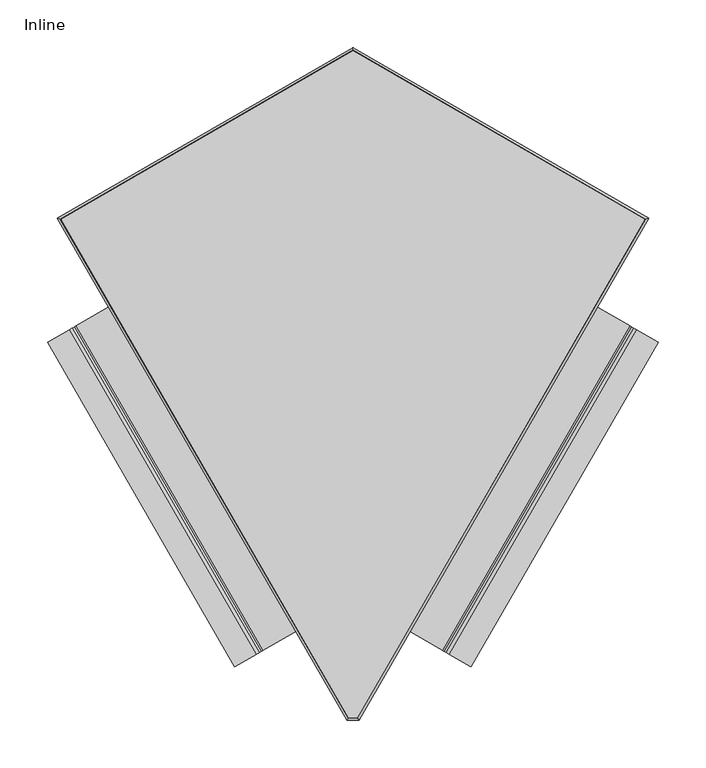
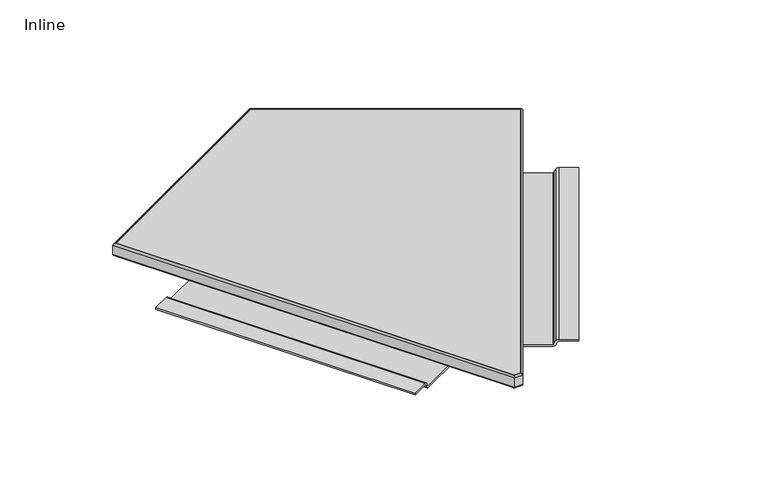
"""IFC4 building model written with IfcOpenShell, lengths in millimetres: furniture geometry, Inline."""

import ifcopenshell
import ifcopenshell.guid

model = None  # the IFC model being written
_history = None  # IfcOwnerHistory: only IFC2X3 demands one
_inside = {}  # id of a spatial element -> (the spatial element, [elements in it])
_under = {}  # id of a project, library or spatial element -> (it, [spatial elements below it])
_declared = {}  # id of a project -> (the project, [libraries it declares])
_typed = {}  # id of a type object -> (the type object, [elements of that type])
_made_of = {}  # id of a material, layer set ... -> (it, [elements and type objects made of it])


def new_model(schema):
    """Start an empty IFC model of exactly this schema.

    Asked for "IFC4X3", IfcOpenShell would pick the latest addendum, in which some entities
    have other attributes; the version numbers below select the first issue.
    IFC2X3 requires an IfcOwnerHistory on every rooted entity: one is made here for all.
    """
    global model, _history
    if schema == "IFC4X3":
        model = ifcopenshell.file(schema_version=(4, 3, 0, 0))
    else:
        model = ifcopenshell.file(schema=schema)
    _inside.clear()
    _under.clear()
    _declared.clear()
    _typed.clear()
    _made_of.clear()
    _history = None
    if model.schema == "IFC2X3":
        org = make("IfcOrganization", Name="unknown")
        user = make(
            "IfcPersonAndOrganization",
            ThePerson=make("IfcPerson", FamilyName="unknown"),
            TheOrganization=org,
        )
        app = make(
            "IfcApplication",
            ApplicationDeveloper=org,
            Version="unknown",
            ApplicationFullName="unknown",
            ApplicationIdentifier="unknown",
        )
        _history = make(
            "IfcOwnerHistory",
            OwningUser=user,
            OwningApplication=app,
            ChangeAction="ADDED",
            CreationDate=0,
        )
    return model


def make(cls, **values):
    """One entity of the class cls with the attributes given. An attribute that is None is left unset."""
    return model.create_entity(
        cls, **{name: value for name, value in values.items() if value is not None}
    )


def rooted(cls, **values):
    """An entity with a GlobalId (a new one), such as an element, a storey or a relation."""
    return make(cls, GlobalId=ifcopenshell.guid.new(), OwnerHistory=_history, **values)


def si_unit(unit_type, name, prefix=None):
    """IfcSIUnit, for example si_unit("LENGTHUNIT", "METRE", prefix="MILLI")."""
    return make("IfcSIUnit", UnitType=unit_type, Prefix=prefix, Name=name)


def assignment(units):
    """IfcUnitAssignment: the units of a project."""
    return None if units is None else make("IfcUnitAssignment", Units=units)


def point(xyz):
    """IfcCartesianPoint."""
    return None if xyz is None else make("IfcCartesianPoint", Coordinates=xyz)


def direction(xyz):
    """IfcDirection."""
    return None if xyz is None else make("IfcDirection", DirectionRatios=xyz)


def frame(location, z_axis=None, x_axis=None):
    """IfcAxis2Placement3D, a coordinate frame: its origin and axes. An axis left out is left unset."""
    return make(
        "IfcAxis2Placement3D",
        Location=point(location),
        Axis=direction(z_axis),
        RefDirection=direction(x_axis),
    )


def frame_2d(location, x_axis=None):
    """IfcAxis2Placement2D, a coordinate frame in the plane: its origin and x axis."""
    return make(
        "IfcAxis2Placement2D", Location=point(location), RefDirection=direction(x_axis)
    )


def origin():
    """The frame at (0, 0, 0) with its axes left unset."""
    return frame((0.0, 0.0, 0.0))


def place(relative_to, where):
    """IfcLocalPlacement: puts the frame where relative to a parent placement (None: the world)."""
    return make(
        "IfcLocalPlacement", PlacementRelTo=relative_to, RelativePlacement=where
    )


def context(
    kind, dimensions, precision=None, world=None, true_north=None, identifier=None
):
    """IfcGeometricRepresentationContext, for example the 3D "Model" context."""
    return make(
        "IfcGeometricRepresentationContext",
        ContextIdentifier=identifier,
        ContextType=kind,
        CoordinateSpaceDimension=dimensions,
        Precision=precision,
        WorldCoordinateSystem=world,
        TrueNorth=true_north,
    )


def project(units=None, contexts=None):
    """IfcProject with its units and contexts."""
    return rooted(
        "IfcProject",
        Name="project",
        RepresentationContexts=contexts,
        UnitsInContext=assignment(units),
    )


def spatial(cls, under=None, at=None, **own):
    """A site, building, storey or space (cls), placed at a placement, below another one or the project."""
    s = rooted(cls, ObjectPlacement=at, **own)
    if under is not None:
        _under.setdefault(under.id(), (under, []))[1].append(s)
    return s


def polyline(points):
    """IfcPolyline through the points."""
    return make("IfcPolyline", Points=[point(p) for p in points])


def circle_curve(where, radius):
    """IfcCircle in the frame where."""
    return make("IfcCircle", Position=where, Radius=radius)


def ellipse_curve(where, semi_axis1, semi_axis2):
    """IfcEllipse in the frame where."""
    return make(
        "IfcEllipse", Position=where, SemiAxis1=semi_axis1, SemiAxis2=semi_axis2
    )


def trimmed(basis, trim1, trim2, sense, master):
    """IfcTrimmedCurve: the piece of a basis curve between two trims."""
    return make(
        "IfcTrimmedCurve",
        BasisCurve=basis,
        Trim1=trim1,
        Trim2=trim2,
        SenseAgreement=sense,
        MasterRepresentation=master,
    )


def segment(curve, same_sense, transition):
    """IfcCompositeCurveSegment."""
    return make(
        "IfcCompositeCurveSegment",
        Transition=transition,
        SameSense=same_sense,
        ParentCurve=curve,
    )


def composite_curve(segments, self_intersect=None):
    """IfcCompositeCurve: segments joined end to end."""
    return make("IfcCompositeCurve", Segments=segments, SelfIntersect=self_intersect)


def outline(outer, holes=None, kind="AREA"):
    """IfcArbitraryClosedProfileDef: a profile drawn as a closed curve; with holes, ...WithVoids."""
    if holes is None:
        return make("IfcArbitraryClosedProfileDef", ProfileType=kind, OuterCurve=outer)
    return make(
        "IfcArbitraryProfileDefWithVoids",
        ProfileType=kind,
        OuterCurve=outer,
        InnerCurves=holes,
    )


def extrude(swept, where, along, depth):
    """IfcExtrudedAreaSolid: the profile swept, set in the frame where, extruded along a direction by depth."""
    return make(
        "IfcExtrudedAreaSolid",
        SweptArea=swept,
        Position=where,
        ExtrudedDirection=direction(along),
        Depth=depth,
    )


def shape(context_of_items, identifier, shape_type, items):
    """IfcShapeRepresentation: the items that make up one representation, for example the "Body"."""
    return make(
        "IfcShapeRepresentation",
        ContextOfItems=context_of_items,
        RepresentationIdentifier=identifier,
        RepresentationType=shape_type,
        Items=items,
    )


def source(mapping_origin, context_of_items, identifier, shape_type, items):
    """IfcRepresentationMap: a shape defined once, which mapped items show again and again."""
    return make(
        "IfcRepresentationMap",
        MappingOrigin=mapping_origin,
        MappedRepresentation=shape(context_of_items, identifier, shape_type, items),
    )


def transform(
    local_origin,
    x_axis=None,
    y_axis=None,
    z_axis=None,
    scale=None,
    scale2=None,
    scale3=None,
    uniform=True,
):
    """IfcCartesianTransformationOperator3D, or its non-uniform kind. x_axis, y_axis, z_axis: its Axis1, 2, 3."""
    if uniform:
        return make(
            "IfcCartesianTransformationOperator3D",
            Axis1=direction(x_axis),
            Axis2=direction(y_axis),
            LocalOrigin=point(local_origin),
            Scale=scale,
            Axis3=direction(z_axis),
        )
    return make(
        "IfcCartesianTransformationOperator3DnonUniform",
        Axis1=direction(x_axis),
        Axis2=direction(y_axis),
        LocalOrigin=point(local_origin),
        Scale=scale,
        Axis3=direction(z_axis),
        Scale2=scale2,
        Scale3=scale3,
    )


def mapped(mapping_source, mapping_target):
    """IfcMappedItem: shows the shape of a source again, moved by a transform."""
    return make(
        "IfcMappedItem", MappingSource=mapping_source, MappingTarget=mapping_target
    )


def made_of(thing, what):
    """Note that an element or type object is made of a material, layer set ...; save() writes the relation."""
    if what is not None:
        _made_of.setdefault(what.id(), (what, []))[1].append(thing)
    return thing


def element(
    cls,
    number,
    at=None,
    inside=None,
    cuts=None,
    type_object=None,
    material=None,
    context=None,
    identifier="Body",
    shape_type=None,
    held_by="IfcProductDefinitionShape",
    body=None,
    shapes=None,
    **own,
):
    """One element of the class cls, such as IfcWall. Its Tag is "e" and its number.

    at: its placement. inside: the storey or other place that contains it. cuts: it is an
    opening in that element (IfcRelVoidsElement). A single representation is given by context,
    identifier, shape_type and body (its items); several are given by shapes. held_by: the class
    of the entity that holds the representations. save() writes the other relations.
    """
    e = rooted(cls, Tag="e%d" % number, ObjectPlacement=at, **own)
    if body is not None:
        shapes = [shape(context, identifier, shape_type, body)]
    if shapes is not None:
        e.Representation = make(held_by, Representations=shapes)
    if inside is not None:
        _inside.setdefault(inside.id(), (inside, []))[1].append(e)
    if cuts is not None:
        rooted(
            "IfcRelVoidsElement", RelatingBuildingElement=cuts, RelatedOpeningElement=e
        )
    if type_object is not None:
        _typed.setdefault(type_object.id(), (type_object, []))[1].append(e)
    return made_of(e, material)


def aggregate(whole, parts):
    """IfcRelAggregates: a whole, such as a stair, and the parts it consists of."""
    return rooted("IfcRelAggregates", RelatingObject=whole, RelatedObjects=parts)


def save(model, path):
    """Write the relations noted so far, then the file.

    IfcRelAggregates (storeys below a building ...), IfcRelContainedInSpatialStructure (elements
    in a storey), IfcRelDefinesByType, IfcRelAssociatesMaterial and IfcRelDeclares: one each for
    every whole, place, type object, material and project.
    """
    for whole, parts in _under.values():
        aggregate(whole, parts)
    for where, things in _inside.values():
        rooted(
            "IfcRelContainedInSpatialStructure",
            RelatedElements=things,
            RelatingStructure=where,
        )
    for kind, things in _typed.values():
        rooted("IfcRelDefinesByType", RelatedObjects=things, RelatingType=kind)
    for what, things in _made_of.values():
        rooted("IfcRelAssociatesMaterial", RelatedObjects=things, RelatingMaterial=what)
    for by, libraries in _declared.values():
        rooted("IfcRelDeclares", RelatingContext=by, RelatedDefinitions=libraries)
    model.write(path)


def plane_surface(at):
    """IfcPlane: the flat surface through the origin of the frame at, square to its z axis."""
    return make("IfcPlane", Position=at)


def cylinder_surface(at, radius):
    """IfcCylindricalSurface: all points at the distance radius from the z axis of the frame at."""
    return make("IfcCylindricalSurface", Position=at, Radius=radius)


def advanced_brep(points, edges, surfaces, faces):
    """IfcAdvancedBrep: a solid bounded by faces that lie on surfaces and meet in shared edges.

    An edge is (start, end): straight between two places in points (the first is 0);
    or (start, end, curve); or (start, end, curve, False) where it runs against its curve.
    A face is (place in surfaces, loops), or (place, loops, False) where it looks against
    its surface's normal. A loop lists edges by number (the first is 1), with a minus sign
    where the edge is run from its end to its start. The first loop is the outer one.
    """
    corners = [point(p) for p in points]
    vertices = [make("IfcVertexPoint", VertexGeometry=c) for c in corners]
    made = []
    for start, end, *more in edges:
        made.append(
            make(
                "IfcEdgeCurve",
                EdgeStart=vertices[start],
                EdgeEnd=vertices[end],
                EdgeGeometry=more[0] if more else make("IfcPolyline", Points=[corners[start], corners[end]]),
                SameSense=more[1] if len(more) > 1 else True,
            )
        )
    hull = []
    for where, loops, *sense in faces:
        bounds = []
        for j, loop in enumerate(loops):
            ring = [make("IfcOrientedEdge", EdgeElement=made[abs(k) - 1], Orientation=k > 0) for k in loop]
            bounds.append(
                make(
                    "IfcFaceOuterBound" if j == 0 else "IfcFaceBound",
                    Bound=make("IfcEdgeLoop", EdgeList=ring),
                    Orientation=True,
                )
            )
        hull.append(make("IfcAdvancedFace", Bounds=bounds, FaceSurface=surfaces[where], SameSense=sense[0] if sense else True))
    return make("IfcAdvancedBrep", Outer=make("IfcClosedShell", CfsFaces=hull))


def inline_c3bc8b77(model_context):
    return source(origin(), model_context, "Body", "SolidModel", [
        extrude(outline(composite_curve([segment(polyline([(-2.6599381, 0.0), (0.0, 0.0), (0.0, -26.775942)]), True, "CONTINUOUS"), segment(trimmed(circle_curve(frame_2d((-4.017097, -26.775942)), 4.017097), [point((0.0, -26.775942))], [point((-2.3185886, -30.4162906))], False, "CARTESIAN"), True, "CONTINUOUS"), segment(polyline([(-2.3185886, -30.4162906), (-7.8560005, -32.9999278)]), True, "CONTINUOUS"), segment(trimmed(circle_curve(frame_2d((-7.0425751, -34.7433116)), 1.9238107), [point((-7.8560005, -32.9999278))], [point((-8.9663858, -34.7433116))], True, "CARTESIAN"), True, "CONTINUOUS"), segment(polyline([(-8.9663858, -34.7433116), (-8.9663858, -108.4293253)]), True, "CONTINUOUS"), segment(trimmed(circle_curve(frame_2d((-7.5705859, -108.4293253)), 1.3957999), [point((-8.9663858, -108.4293253))], [point((-8.1590547, -109.6950116))], True, "CARTESIAN"), True, "CONTINUOUS"), segment(polyline([(-8.1590547, -109.6950116), (-2.4183355, -112.3641041)]), True, "CONTINUOUS"), segment(trimmed(circle_curve(frame_2d((-4.1810756, -116.1554286)), 4.1810756), [point((-2.4183355, -112.3641041))], [point((0.0, -116.1554286))], False, "CARTESIAN"), True, "CONTINUOUS"), segment(polyline([(0.0, -116.1554286), (0.0, -142.8750309), (-2.6599381, -142.8750309), (-2.6599381, -116.0192316)]), True, "CONTINUOUS"), segment(trimmed(circle_curve(frame_2d((-3.9537981, -116.0192316)), 1.29386), [point((-2.6599381, -116.0192316))], [point((-3.4069213, -114.8466279))], True, "CARTESIAN"), True, "CONTINUOUS"), segment(polyline([(-3.4069213, -114.8466279), (-8.9847764, -112.2452379)]), True, "CONTINUOUS"), segment(trimmed(circle_curve(frame_2d((-7.0508794, -108.0986097)), 4.5754216), [point((-8.9847764, -112.2452379))], [point((-11.626301, -108.0986097))], False, "CARTESIAN"), True, "CONTINUOUS"), segment(polyline([(-11.626301, -108.0986097), (-11.626301, -34.8217804)]), True, "CONTINUOUS"), segment(trimmed(circle_curve(frame_2d((-6.9796264, -34.8217804)), 4.6466746), [point((-11.626301, -34.8217804))], [point((-8.9443326, -30.6109))], False, "CARTESIAN"), True, "CONTINUOUS"), segment(polyline([(-8.9443326, -30.6109), (-3.5189067, -28.0795129)]), True, "CONTINUOUS"), segment(trimmed(circle_curve(frame_2d((-4.1481539, -26.7308713)), 1.4882157), [point((-3.5189067, -28.0795129))], [point((-2.6599381, -26.7308713))], True, "CARTESIAN"), True, "CONTINUOUS"), segment(polyline([(-2.6599381, -26.7308713), (-2.6599381, 0.0)]), True, "CONTINUOUS")], self_intersect=False)), frame((124.4673724, -651.0987401, 298.0604162), z_axis=(0.4999999999999946, 0.8660254037844418, 0.0), x_axis=(0.0, 0.0, 1.0)), (0.0, 0.0, 1.0), 393.7222177),
        extrude(outline(composite_curve([segment(polyline([(0.0, 0.0), (26.7308713, 0.0)]), True, "CONTINUOUS"), segment(trimmed(circle_curve(frame_2d((26.7308713, 1.4882158)), 1.4882157), [point((26.7308713, 0.0))], [point((28.0795129, 0.8589686))], True, "CARTESIAN"), True, "CONTINUOUS"), segment(polyline([(28.0795129, 0.8589686), (30.6109, 6.2843945)]), True, "CONTINUOUS"), segment(trimmed(circle_curve(frame_2d((34.8217804, 4.3196883)), 4.6466746), [point((30.6109, 6.2843945))], [point((34.8217804, 8.9663629))], False, "CARTESIAN"), True, "CONTINUOUS"), segment(polyline([(34.8217804, 8.9663629), (108.0986097, 8.9663629)]), True, "CONTINUOUS"), segment(trimmed(circle_curve(frame_2d((108.0986097, 4.3909413)), 4.5754216), [point((108.0986097, 8.9663629))], [point((112.2452379, 6.3248383))], False, "CARTESIAN"), True, "CONTINUOUS"), segment(polyline([(112.2452379, 6.3248383), (114.8466279, 0.7469832)]), True, "CONTINUOUS"), segment(trimmed(circle_curve(frame_2d((116.0192316, 1.29386)), 1.29386), [point((114.8466279, 0.7469832))], [point((116.0192316, 0.0))], True, "CARTESIAN"), True, "CONTINUOUS"), segment(polyline([(116.0192316, 0.0), (142.8750309, 0.0), (142.8750309, -2.6599381), (116.1554286, -2.6599381)]), True, "CONTINUOUS"), segment(trimmed(circle_curve(frame_2d((116.1554286, 1.5211375)), 4.1810756), [point((116.1554286, -2.6599381))], [point((112.3641041, -0.2416026))], False, "CARTESIAN"), True, "CONTINUOUS"), segment(polyline([(112.3641041, -0.2416026), (109.6950116, 5.4991166)]), True, "CONTINUOUS"), segment(trimmed(circle_curve(frame_2d((108.4293253, 4.9106478)), 1.3957999), [point((109.6950116, 5.4991166))], [point((108.4293253, 6.3064477))], True, "CARTESIAN"), True, "CONTINUOUS"), segment(polyline([(108.4293253, 6.3064477), (34.7433116, 6.3064477)]), True, "CONTINUOUS"), segment(trimmed(circle_curve(frame_2d((34.7433116, 4.382637)), 1.9238107), [point((34.7433116, 6.3064477))], [point((32.9999278, 5.1960624))], True, "CARTESIAN"), True, "CONTINUOUS"), segment(polyline([(32.9999278, 5.1960624), (30.4162906, -0.3413495)]), True, "CONTINUOUS"), segment(trimmed(circle_curve(frame_2d((26.775942, 1.3571589)), 4.017097), [point((30.4162906, -0.3413495))], [point((26.775942, -2.6599381))], False, "CARTESIAN"), True, "CONTINUOUS"), segment(polyline([(26.775942, -2.6599381), (0.0, -2.6599381), (0.0, 0.0)]), True, "CONTINUOUS")], self_intersect=False)), frame((-124.4673724, -651.0987401, 295.4004781), z_axis=(-0.49999999999999456, 0.8660254037844418, 0.0), x_axis=(0.8660254037844418, 0.49999999999999456, 0.0)), (0.0, 0.0, 1.0), 393.7222177),
        advanced_brep(
        [(-311.1672945, -179.6218193, 301.030172), (-308.298717, -180.3904523, 298.0604162), (-5.1559599, -705.4491424, 298.0604162), (-6.3683635, -707.5490869, 301.030172), (-311.1672945, -179.6218193, 315.5606319), (-6.3683635, -707.5490869, 315.5606319), (-308.2987501, -180.3904435, 318.5304119), (-5.1559739, -705.4491666, 318.5304119), (-307.0703288, -180.719598, 298.0604162), (-307.0703288, -180.719598, 318.5304119), (-4.6367819, -704.5498998, 318.5304119), (-4.6367819, -704.5498998, 298.0604162), (5.1182905, -705.4491424, 298.0604162), (6.3306939, -707.5490869, 301.030172), (6.3306939, -707.5490869, 315.5606319), (5.1183045, -705.4491666, 318.5304119), (4.5991127, -704.5498998, 318.5304119), (4.5991127, -704.5498998, 298.0604162), (308.261124, -180.3904948, 298.0604162), (311.1297016, -179.6218621, 301.030172), (311.1297016, -179.6218621, 315.5606319), (308.2611571, -180.3904859, 318.5304119), (307.0327358, -180.7196403, 318.5304119), (307.0327358, -180.7196403, 298.0604162), (-0.0187861, -2.4049512, 298.0604162), (-0.0187859, 0.0198559, 301.030172), (-0.0187859, 0.0198559, 315.5606319), (-0.0187861, -2.4049232, 318.5304119), (-0.0187862, -3.4433072, 318.5304119), (-0.0187862, -3.4433072, 298.0604162)],
        [
            (0, 1, ellipse_curve(frame((-306.8644558, -180.7747615, 301.030172), z_axis=(-0.25881905814224887, -0.9659258227950835, 0.0), x_axis=(-0.9659258227950835, 0.2588190581422488, 0.0)), 4.4546264, 3.1498966)),
            (1, 2),
            (2, 3, ellipse_curve(frame((-4.5497697, -704.3991903, 301.030172), z_axis=(-0.8660253970345787, 0.5000000116911003, 0.0), x_axis=(0.5000000116911005, 0.8660253970345785, 0.0)), 3.6371873, 3.1498966)),
            (3, 0),
            (4, 0),
            (3, 5),
            (5, 4),
            (6, 4, ellipse_curve(frame((-306.8643925, -180.7747785, 315.5606319), z_axis=(-0.25881905814224887, -0.9659258227950835, 0.0), x_axis=(-0.9659258227950835, 0.2588190581422488, 0.0)), 4.454692, 3.149943)),
            (5, 7, ellipse_curve(frame((-4.549743, -704.3991439, 315.5606319), z_axis=(-0.8660253970345787, 0.5000000116911003, 0.0), x_axis=(0.5000000116911005, 0.8660253970345785, 0.0)), 3.6372409, 3.149943)),
            (7, 6),
            (8, 9),
            (9, 10),
            (10, 11),
            (11, 8),
            (2, 12),
            (12, 13, ellipse_curve(frame((4.5121005, -704.3991903, 301.030172), z_axis=(-0.8660254330579351, -0.49999994929681324, 0.0), x_axis=(-0.4999999492968133, 0.866025433057935, 0.0)), 3.6371872, 3.1498966)),
            (13, 3),
            (13, 14),
            (14, 5),
            (14, 15, ellipse_curve(frame((4.5120737, -704.3991439, 315.5606319), z_axis=(-0.8660254330579351, -0.49999994929681324, 0.0), x_axis=(-0.4999999492968133, 0.866025433057935, 0.0)), 3.6372407, 3.149943)),
            (15, 7),
            (10, 16),
            (16, 17),
            (17, 11),
            (12, 18),
            (18, 19, ellipse_curve(frame((306.8268627, -180.7748037, 301.030172), z_axis=(0.25881892455680783, -0.9659258585891868, 0.0), x_axis=(-0.9659258585891868, -0.25881892455680755, 0.0)), 4.4546265, 3.1498966)),
            (19, 13),
            (19, 20),
            (20, 14),
            (20, 21, ellipse_curve(frame((306.8267994, -180.7748207, 315.5606319), z_axis=(0.25881892455680783, -0.9659258585891868, 0.0), x_axis=(-0.9659258585891868, -0.25881892455680755, 0.0)), 4.454692, 3.149943)),
            (21, 15),
            (16, 22),
            (22, 23),
            (23, 17),
            (18, 24),
            (24, 25, ellipse_curve(frame((-0.0187862, -3.6173315, 301.030172), z_axis=(0.9999999999999978, -6.625110735752232e-08, 0.0), x_axis=(-6.625110743610715e-08, -0.9999999999999978, 0.0)), 3.6371874, 3.1498966)),
            (25, 19),
            (25, 26),
            (26, 20),
            (26, 27, ellipse_curve(frame((-0.0187862, -3.6173851, 315.5606319), z_axis=(0.9999999999999978, -6.625110735752232e-08, 0.0), x_axis=(-6.625110743610715e-08, -0.9999999999999978, 0.0)), 3.637241, 3.149943)),
            (27, 21),
            (22, 28),
            (28, 29),
            (29, 23),
            (1, 24),
            (29, 8),
            (0, 25),
            (4, 26),
            (6, 27),
            (9, 28),
        ],
        [
            cylinder_surface(frame((-306.9398106, -180.6442432, 301.030172), z_axis=(-0.4999999766177994, 0.866025417284158, 0.0), x_axis=(0.866025417284158, 0.4999999766177994, 0.0)), 3.1498966),
            plane_surface(frame((-311.1672945, -179.6218193, 301.030172), z_axis=(-0.8660254172841578, -0.4999999766177997, 0.0), x_axis=(0.4999999766177997, -0.8660254172841578, 0.0))),
            cylinder_surface(frame((-306.9397704, -180.64422, 315.5606319), z_axis=(-0.4999999766177994, 0.866025417284158, 0.0), x_axis=(0.866025417284158, 0.4999999766177994, 0.0)), 3.149943),
            plane_surface(frame((-307.0703288, -180.719598, 318.5304119), z_axis=(0.8660254172841579, 0.4999999766177997, 0.0), x_axis=(0.4999999766177997, -0.8660254172841579, 0.0))),
            cylinder_surface(frame((-4.6367819, -704.3991903, 301.030172), z_axis=(-1.0, 0.0, 0.0), x_axis=(0.0, 1.0, 0.0)), 3.1498966),
            plane_surface(frame((-6.3683635, -707.5490869, 301.030172), z_axis=(0.0, -1.0, 0.0), x_axis=(1.0, 0.0, 0.0))),
            cylinder_surface(frame((-4.6367819, -704.3991439, 315.5606319), z_axis=(-1.0, 0.0, 0.0), x_axis=(0.0, 1.0, 0.0)), 3.149943),
            plane_surface(frame((-4.6367819, -704.5498998, 318.5304119), z_axis=(0.0, 1.0, 0.0), x_axis=(1.0, 0.0, 0.0))),
            cylinder_surface(frame((4.4685944, -704.474545, 301.030172), z_axis=(-0.5000001014063681, -0.8660253452374369, 0.0), x_axis=(-0.8660253452374369, 0.5000001014063681, 0.0)), 3.1498966),
            plane_surface(frame((6.3306939, -707.5490869, 301.030172), z_axis=(0.8660253452374371, -0.5000001014063676, 0.0), x_axis=(0.5000001014063676, 0.8660253452374371, 0.0))),
            cylinder_surface(frame((4.4685542, -704.4745218, 315.5606319), z_axis=(-0.5000001014063681, -0.8660253452374369, 0.0), x_axis=(-0.8660253452374369, 0.5000001014063681, 0.0)), 3.149943),
            plane_surface(frame((4.5991127, -704.5498998, 318.5304119), z_axis=(-0.8660253452374371, 0.5000001014063675, 0.0), x_axis=(0.5000001014063675, 0.8660253452374371, 0.0))),
            cylinder_surface(frame((306.957381, -180.8501585, 301.030172), z_axis=(0.8660253375333238, -0.5000001147502795, 0.0), x_axis=(-0.5000001147502795, -0.8660253375333238, 0.0)), 3.1498966),
            plane_surface(frame((311.1297016, -179.6218621, 301.030172), z_axis=(0.5000001147502794, 0.8660253375333239, 0.0), x_axis=(-0.8660253375333239, 0.5000001147502794, 0.0))),
            cylinder_surface(frame((306.9573578, -180.8501987, 315.5606319), z_axis=(0.8660253375333238, -0.5000001147502795, 0.0), x_axis=(-0.5000001147502795, -0.8660253375333238, 0.0)), 3.149943),
            plane_surface(frame((307.0327358, -180.7196403, 318.5304119), z_axis=(-0.5000001147502794, -0.866025337533324, 0.0), x_axis=(-0.866025337533324, 0.5000001147502794, 0.0))),
            plane_surface(frame((-0.0187862, -3.4433072, 298.0604162), z_axis=(0.0, 0.0, -1.0), x_axis=(-0.8660254037844387, -0.4999999999999999, 0.0))),
            cylinder_surface(frame((0.0565686, -3.5738254, 301.030172), z_axis=(0.8660254037844387, 0.4999999999999998, 0.0), x_axis=(0.4999999999999998, -0.8660254037844387, 0.0)), 3.1498966),
            plane_surface(frame((-0.0187859, 0.0198559, 301.030172), z_axis=(-0.5, 0.8660254037844387, 0.0), x_axis=(-0.8660254037844387, -0.5, 0.0))),
            cylinder_surface(frame((0.0565918, -3.5738656, 315.5606319), z_axis=(0.8660254037844387, 0.4999999999999998, 0.0), x_axis=(0.4999999999999998, -0.8660254037844387, 0.0)), 3.149943),
            plane_surface(frame((-0.0187861, -2.4049232, 318.5304119), z_axis=(0.0, 0.0, 1.0), x_axis=(-0.8660254037844387, -0.4999999999999999, 0.0))),
            plane_surface(frame((-0.0187862, -3.4433072, 318.5304119), z_axis=(0.4999999999999999, -0.8660254037844387, 0.0), x_axis=(-0.8660254037844387, -0.4999999999999999, 0.0))),
        ],
        [
            (0, [[1, 2, 3, 4]]),
            (1, [[5, -4, 6, 7]]),
            (2, [[8, -7, 9, 10]]),
            (3, [[11, 12, 13, 14]]),
            (4, [[-3, 15, 16, 17]]),
            (5, [[-6, -17, 18, 19]]),
            (6, [[-9, -19, 20, 21]]),
            (7, [[-13, 22, 23, 24]]),
            (8, [[-16, 25, 26, 27]]),
            (9, [[-18, -27, 28, 29]]),
            (10, [[-20, -29, 30, 31]]),
            (11, [[-23, 32, 33, 34]]),
            (12, [[-26, 35, 36, 37]]),
            (13, [[-28, -37, 38, 39]]),
            (14, [[-30, -39, 40, 41]]),
            (15, [[-33, 42, 43, 44]]),
            (16, [[45, -35, -25, -15, -2], [-34, -44, 46, -14, -24]]),
            (17, [[-36, -45, -1, 47]]),
            (18, [[-38, -47, -5, 48]]),
            (19, [[-40, -48, -8, 49]]),
            (20, [[-31, -41, -49, -10, -21], [50, -42, -32, -22, -12]]),
            (21, [[-43, -50, -11, -46]]),
        ],
    ),
        extrude(outline(polyline([(-307.0703288, -180.719598), (-0.0187862, -3.4433072), (307.0327358, -180.7196403), (4.5991127, -704.5498998), (-4.6367819, -704.5498998), (-307.0703288, -180.719598)])), frame((0.0, 0.0, 298.0604162), z_axis=(0.0, 0.0, 1.0), x_axis=(1.0, 0.0, 0.0)), (0.0, 0.0, 1.0), 20.4699957),
    ])


if __name__ == "__main__":
    model = new_model("IFC4")
    model_context = context("Model", 3, world=origin())
    ifc_project = project(units=[si_unit("LENGTHUNIT", "METRE", prefix="MILLI")], contexts=[model_context])
    site = spatial("IfcSite", under=ifc_project)
    building = spatial("IfcBuilding", under=site)
    placement = place(None, origin())
    inline_shape = inline_c3bc8b77(model_context)
    element("IfcFurniture", 1, ObjectType="Inline", at=placement, inside=building, context=model_context, shape_type="MappedRepresentation", body=[
        mapped(inline_shape, transform((0.0, 0.0, 0.0), x_axis=(1.0, 0.0, 0.0), y_axis=(0.0, 1.0, 0.0), z_axis=(0.0, 0.0, 1.0))),
    ])
    save(model, "model.ifc")
